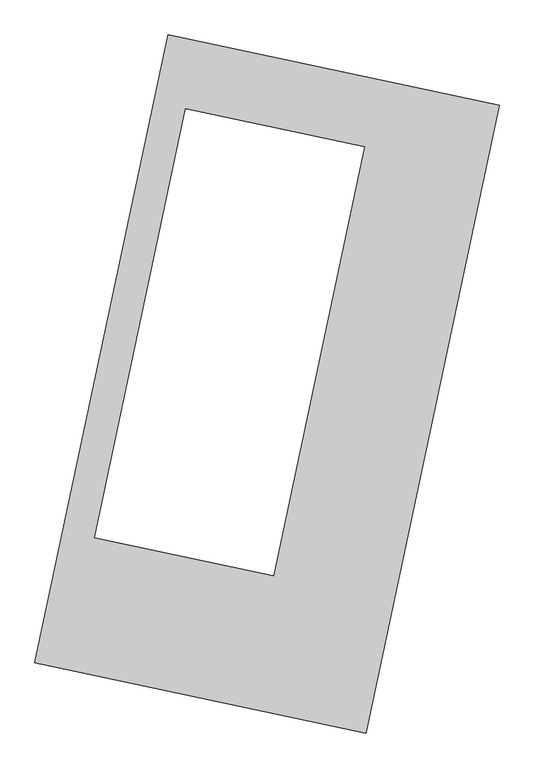
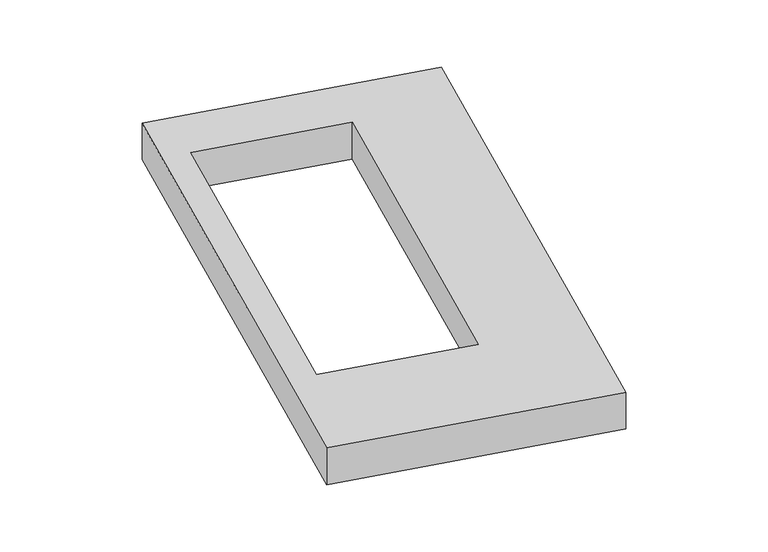
"""IFC4 building model written with IfcOpenShell, lengths in millimetres: proxy geometry."""

from ifc_helpers import new_model, si_unit, origin, origin_with_axes, place, context, project, spatial, polyline, outline, extrude, source, transform, mapped, element, save


def generic_models_7541742e(model_context):
    return source(origin(), model_context, "Body", "SweptSolid", [
        extrude(outline(polyline([(-617.3692021, 2175.5580432), (1447.7508745, 1737.3010494), (617.3692021, -2175.5580432), (-1447.7508745, -1737.3010494), (-617.3692021, 2175.5580432)]), holes=[polyline([(607.4039889, 1478.2870993), (-506.7308569, 1714.7272916), (-1073.9210353, -957.9415793), (40.2138105, -1194.3817717), (607.4039889, 1478.2870993)])]), origin_with_axes(), (0.0, 0.0, 1.0), 300.0),
    ])


if __name__ == "__main__":
    model = new_model("IFC4")
    model_context = context("Model", 3, world=origin())
    ifc_project = project(units=[si_unit("LENGTHUNIT", "METRE", prefix="MILLI")], contexts=[model_context])
    site = spatial("IfcSite", under=ifc_project)
    building = spatial("IfcBuilding", under=site)
    placement = place(None, origin())
    generic_models_shape = generic_models_7541742e(model_context)
    element("IfcBuildingElementProxy", 1, Name="Generic Models", at=placement, inside=building, context=model_context, shape_type="MappedRepresentation", body=[
        mapped(generic_models_shape, transform((0.0, 0.0, 0.0), x_axis=(1.0, 0.0, 0.0), y_axis=(0.0, 1.0, 0.0), z_axis=(0.0, 0.0, 1.0))),
    ])
    save(model, "model.ifc")
